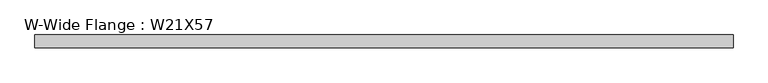
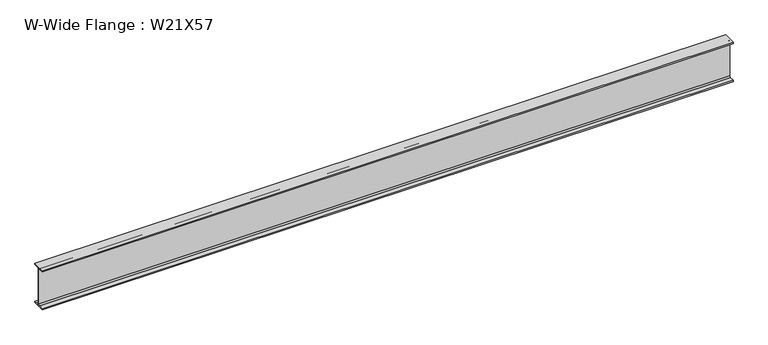
"""IFC4 building model written with IfcOpenShell, lengths in millimetres: beam geometry, W-Wide Flange : W21X57."""

from ifc_helpers import new_model, si_unit, point, frame, frame_2d, origin, place, context, project, spatial, polyline, circle_curve, trimmed, segment, composite_curve, outline, extrude, source, transform, mapped, element, save


def w_wide_flange_w21x57_21e80e4e(model_context):
    return source(origin(), model_context, "Body", "SweptSolid", [
        extrude(outline(composite_curve([segment(polyline([(83.2941406, -251.5195313), (83.2941406, -267.9898438), (-83.2941406, -267.9898438), (-83.2941406, -251.5195313), (-22.0265625, -251.5195313)]), True, "CONTINUOUS"), segment(trimmed(circle_curve(frame_2d((-22.0265625, -234.6523438)), 16.8671875), [point((-22.0265625, -251.5195313))], [point((-5.159375, -234.6523438))], True, "CARTESIAN"), True, "CONTINUOUS"), segment(polyline([(-5.159375, -234.6523438), (-5.159375, 234.6523437)]), True, "CONTINUOUS"), segment(trimmed(circle_curve(frame_2d((-22.0265625, 234.6523437)), 16.8671875), [point((-5.159375, 234.6523437))], [point((-22.0265625, 251.5195312))], True, "CARTESIAN"), True, "CONTINUOUS"), segment(polyline([(-22.0265625, 251.5195312), (-83.2941406, 251.5195312), (-83.2941406, 267.9898437), (83.2941406, 267.9898437), (83.2941406, 251.5195312), (22.0265625, 251.5195312)]), True, "CONTINUOUS"), segment(trimmed(circle_curve(frame_2d((22.0265625, 234.6523437)), 16.8671875), [point((22.0265625, 251.5195312))], [point((5.159375, 234.6523437))], True, "CARTESIAN"), True, "CONTINUOUS"), segment(polyline([(5.159375, 234.6523437), (5.159375, -234.6523438)]), True, "CONTINUOUS"), segment(trimmed(circle_curve(frame_2d((22.0265625, -234.6523438)), 16.8671875), [point((5.159375, -234.6523438))], [point((22.0265625, -251.5195313))], True, "CARTESIAN"), True, "CONTINUOUS"), segment(polyline([(22.0265625, -251.5195313), (83.2941406, -251.5195313)]), True, "CONTINUOUS")], self_intersect=False)), frame((-4457.6503906, 0.0, 0.0), z_axis=(1.0, 0.0, 0.0), x_axis=(0.0, 1.0, 0.0)), (0.0, 0.0, 1.0), 8915.3007813),
    ])


if __name__ == "__main__":
    model = new_model("IFC4")
    model_context = context("Model", 3, world=origin())
    ifc_project = project(units=[si_unit("LENGTHUNIT", "METRE", prefix="MILLI")], contexts=[model_context])
    site = spatial("IfcSite", under=ifc_project)
    building = spatial("IfcBuilding", under=site)
    placement = place(None, origin())
    w_wide_flange_w21x57_shape = w_wide_flange_w21x57_21e80e4e(model_context)
    element("IfcBeam", 1, ObjectType="W-Wide Flange : W21X57", at=placement, inside=building, context=model_context, shape_type="MappedRepresentation", body=[
        mapped(w_wide_flange_w21x57_shape, transform((0.0, 0.0, 0.0), x_axis=(1.0, 0.0, 0.0), y_axis=(0.0, 1.0, 0.0), z_axis=(0.0, 0.0, 1.0))),
    ])
    save(model, "model.ifc")
